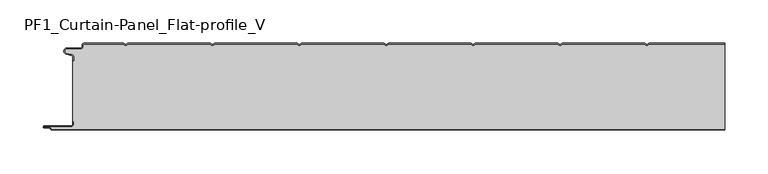
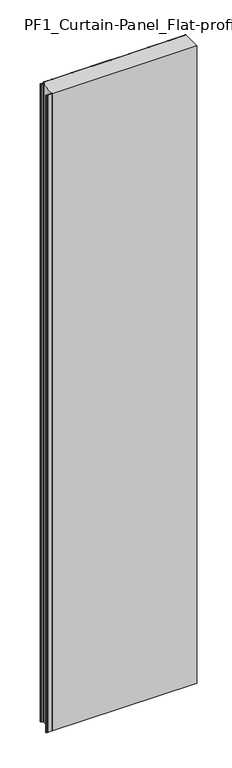
"""IFC4 building model written with IfcOpenShell, lengths in millimetres: plate geometry, PF1_Curtain-Panel_Flat-profile_V."""

from ifc_helpers import new_model, si_unit, point, frame_2d, origin, origin_with_axes, place, context, project, spatial, polyline, circle_curve, trimmed, segment, composite_curve, outline, extrude, source, transform, mapped, element, save


def pf1_curtain_panel_flat_profile_v_6b737605(model_context):
    return source(origin(), model_context, "Body", "SweptSolid", [
        extrude(outline(composite_curve([segment(trimmed(circle_curve(frame_2d((-377.0, -15.878557)), 2.0), [point((-375.0, -15.878557))], [point((-376.5500978, -13.9298169))], True, "CARTESIAN"), True, "CONTINUOUS"), segment(polyline([(-376.5500978, -13.9298169), (-382.7098239, -12.507732)]), True, "CONTINUOUS"), segment(trimmed(circle_curve(frame_2d((-381.9, -9.0)), 3.6), [point((-382.7098239, -12.507732))], [point((-381.9, -5.4))], False, "CARTESIAN"), True, "CONTINUOUS"), segment(polyline([(-381.9, -5.4), (-366.4, -5.4)]), True, "CONTINUOUS"), segment(trimmed(circle_curve(frame_2d((-366.4, -3.4)), 2.0), [point((-366.4, -5.4))], [point((-364.4, -3.4))], True, "CARTESIAN"), True, "CONTINUOUS"), segment(polyline([(-364.4, -3.4), (-364.4, -2.0)]), True, "CONTINUOUS"), segment(trimmed(circle_curve(frame_2d((-362.4, -2.0)), 2.0), [point((-364.4, -2.0))], [point((-362.4, 0.0))], False, "CARTESIAN"), True, "CONTINUOUS"), segment(polyline([(-362.4, 0.0), (-317.0999995, 0.0), (-314.4, -1.5588455), (-311.7000005, 0.0), (-217.0999995, 0.0), (-214.4, -1.5588455), (-211.7000005, 0.0), (-117.0999995, 0.0), (-114.4, -1.5588455), (-111.7000005, 0.0), (-17.0999995, 0.0), (-14.4, -1.5588455), (-11.7000005, 0.0), (82.9000005, 0.0), (85.6, -1.5588455), (88.2999995, 0.0), (182.9000005, 0.0), (185.6, -1.5588455), (188.2999995, 0.0), (282.9000005, 0.0), (285.6, -1.5588455), (288.2999995, 0.0), (375.0, 0.0), (375.0, -0.8), (288.5143588, -0.8), (285.6, -2.482606), (282.6856412, -0.8), (188.5143588, -0.8), (185.6, -2.482606), (182.6856412, -0.8), (88.5143588, -0.8), (85.6, -2.482606), (82.6856412, -0.8), (-11.4856412, -0.8), (-14.4, -2.482606), (-17.3143588, -0.8), (-111.4856412, -0.8), (-114.4, -2.482606), (-117.3143588, -0.8), (-211.4856412, -0.8), (-214.4, -2.482606), (-217.3143588, -0.8), (-311.4856412, -0.8), (-314.4, -2.482606), (-317.3143588, -0.8), (-362.4, -0.8)]), True, "CONTINUOUS"), segment(trimmed(circle_curve(frame_2d((-362.4, -2.0)), 1.2), [point((-362.4, -0.8))], [point((-363.6, -2.0))], True, "CARTESIAN"), True, "CONTINUOUS"), segment(polyline([(-363.6, -2.0), (-363.6, -3.4)]), True, "CONTINUOUS"), segment(trimmed(circle_curve(frame_2d((-366.4, -3.4)), 2.8), [point((-363.6, -3.4))], [point((-366.4, -6.2))], False, "CARTESIAN"), True, "CONTINUOUS"), segment(polyline([(-366.4, -6.2), (-381.9, -6.2)]), True, "CONTINUOUS"), segment(trimmed(circle_curve(frame_2d((-381.9, -9.0)), 2.8), [point((-381.9, -6.2))], [point((-382.529863, -11.7282362))], True, "CARTESIAN"), True, "CONTINUOUS"), segment(polyline([(-382.529863, -11.7282362), (-376.370137, -13.150321)]), True, "CONTINUOUS"), segment(trimmed(circle_curve(frame_2d((-377.0, -15.878557)), 2.8), [point((-376.370137, -13.150321))], [point((-374.2, -15.878557))], False, "CARTESIAN"), True, "CONTINUOUS"), segment(polyline([(-374.2, -15.878557), (-374.2, -20.0), (-375.0, -20.0), (-375.0, -15.878557)]), True, "CONTINUOUS")], self_intersect=False)), origin_with_axes(), (0.0, 0.0, 1.0), 3500.0),
        extrude(outline(composite_curve([segment(polyline([(-374.2, -90.0), (-375.0, -90.0), (-375.0, -20.0), (-374.2, -20.0), (-374.2, -15.878557)]), True, "CONTINUOUS"), segment(trimmed(circle_curve(frame_2d((-377.0, -15.878557)), 2.8), [point((-374.2, -15.878557))], [point((-376.370137, -13.1503208))], True, "CARTESIAN"), True, "CONTINUOUS"), segment(polyline([(-376.370137, -13.1503208), (-382.529863, -11.7282362)]), True, "CONTINUOUS"), segment(trimmed(circle_curve(frame_2d((-381.9, -9.0)), 2.8), [point((-382.529863, -11.7282362))], [point((-381.9, -6.2))], False, "CARTESIAN"), True, "CONTINUOUS"), segment(polyline([(-381.9, -6.2), (-366.4, -6.2)]), True, "CONTINUOUS"), segment(trimmed(circle_curve(frame_2d((-366.4, -3.4)), 2.8), [point((-366.4, -6.2))], [point((-363.6, -3.4))], True, "CARTESIAN"), True, "CONTINUOUS"), segment(polyline([(-363.6, -3.4), (-363.6, -2.0)]), True, "CONTINUOUS"), segment(trimmed(circle_curve(frame_2d((-362.4, -2.0)), 1.2), [point((-363.6, -2.0))], [point((-362.4, -0.8))], False, "CARTESIAN"), True, "CONTINUOUS"), segment(polyline([(-362.4, -0.8), (-317.3143588, -0.8), (-314.4, -2.482606), (-311.4856412, -0.8), (-217.3143588, -0.8), (-214.4, -2.482606), (-211.4856412, -0.8), (-117.3143588, -0.8), (-114.4, -2.482606), (-111.4856412, -0.8), (-17.3143588, -0.8), (-14.4, -2.482606), (-11.4856412, -0.8), (82.6856412, -0.8), (85.6, -2.482606), (88.5143588, -0.8), (182.6856412, -0.8), (185.6, -2.482606), (188.5143588, -0.8), (282.6856412, -0.8), (285.6, -2.482606), (288.5143588, -0.8), (375.0, -0.8), (375.0, -99.2), (-399.4, -99.2)]), True, "CONTINUOUS"), segment(trimmed(circle_curve(frame_2d((-399.4, -98.4)), 0.8), [point((-399.4, -99.2))], [point((-400.2, -98.4))], False, "CARTESIAN"), True, "CONTINUOUS"), segment(trimmed(circle_curve(frame_2d((-401.9, -98.6133333)), 1.7133333), [point((-400.2, -98.4))], [point((-401.9, -96.9))], True, "CARTESIAN"), True, "CONTINUOUS"), segment(polyline([(-401.9, -96.9), (-407.8700312, -96.9)]), True, "CONTINUOUS"), segment(trimmed(circle_curve(frame_2d((-407.8700312, -96.6)), 0.3), [point((-407.8700312, -96.9))], [point((-407.8700312, -96.3))], False, "CARTESIAN"), True, "CONTINUOUS"), segment(polyline([(-407.8700312, -96.3), (-377.0, -96.3)]), True, "CONTINUOUS"), segment(trimmed(circle_curve(frame_2d((-377.0, -93.5)), 2.8), [point((-377.0, -96.3))], [point((-374.2, -93.5))], True, "CARTESIAN"), True, "CONTINUOUS"), segment(polyline([(-374.2, -93.5), (-374.2, -90.0)]), True, "CONTINUOUS")], self_intersect=False)), origin_with_axes(), (0.0, 0.0, 1.0), 3500.0),
        extrude(outline(composite_curve([segment(polyline([(-375.0, -90.0), (-374.2, -90.0), (-374.2, -93.5)]), True, "CONTINUOUS"), segment(trimmed(circle_curve(frame_2d((-377.0, -93.5)), 2.8), [point((-374.2, -93.5))], [point((-377.0, -96.3))], False, "CARTESIAN"), True, "CONTINUOUS"), segment(polyline([(-377.0, -96.3), (-407.8700312, -96.3)]), True, "CONTINUOUS"), segment(trimmed(circle_curve(frame_2d((-407.8700312, -96.6)), 0.3), [point((-407.8700312, -96.3))], [point((-407.8700312, -96.9))], True, "CARTESIAN"), True, "CONTINUOUS"), segment(polyline([(-407.8700312, -96.9), (-401.9, -96.9)]), True, "CONTINUOUS"), segment(trimmed(circle_curve(frame_2d((-401.9, -98.6133333)), 1.7133333), [point((-401.9, -96.9))], [point((-400.2, -98.4))], False, "CARTESIAN"), True, "CONTINUOUS"), segment(trimmed(circle_curve(frame_2d((-399.4, -98.4)), 0.8), [point((-400.2, -98.4))], [point((-399.4, -99.2))], True, "CARTESIAN"), True, "CONTINUOUS"), segment(polyline([(-399.4, -99.2), (375.0, -99.2), (375.0, -100.0), (-399.4, -100.0)]), True, "CONTINUOUS"), segment(trimmed(circle_curve(frame_2d((-399.4, -98.4)), 1.6), [point((-399.4, -100.0))], [point((-401.0, -98.4))], False, "CARTESIAN"), True, "CONTINUOUS"), segment(trimmed(circle_curve(frame_2d((-401.9, -98.4)), 0.9), [point((-401.0, -98.4))], [point((-401.9, -97.5))], True, "CARTESIAN"), True, "CONTINUOUS"), segment(polyline([(-401.9, -97.5), (-408.0, -97.5)]), True, "CONTINUOUS"), segment(trimmed(circle_curve(frame_2d((-408.0, -96.5)), 1.0), [point((-408.0, -97.5))], [point((-408.0, -95.5))], False, "CARTESIAN"), True, "CONTINUOUS"), segment(polyline([(-408.0, -95.5), (-377.0, -95.5)]), True, "CONTINUOUS"), segment(trimmed(circle_curve(frame_2d((-377.0, -93.5)), 2.0), [point((-377.0, -95.5))], [point((-375.0, -93.5))], True, "CARTESIAN"), True, "CONTINUOUS"), segment(polyline([(-375.0, -93.5), (-375.0, -90.0)]), True, "CONTINUOUS")], self_intersect=False)), origin_with_axes(), (0.0, 0.0, 1.0), 3500.0),
    ])


if __name__ == "__main__":
    model = new_model("IFC4")
    model_context = context("Model", 3, world=origin())
    ifc_project = project(units=[si_unit("LENGTHUNIT", "METRE", prefix="MILLI")], contexts=[model_context])
    site = spatial("IfcSite", under=ifc_project)
    building = spatial("IfcBuilding", under=site)
    placement = place(None, origin())
    pf1_curtain_panel_flat_profile_v_shape = pf1_curtain_panel_flat_profile_v_6b737605(model_context)
    element("IfcPlate", 1, ObjectType="PF1_Curtain-Panel_Flat-profile_V", at=placement, inside=building, context=model_context, shape_type="MappedRepresentation", body=[
        mapped(pf1_curtain_panel_flat_profile_v_shape, transform((0.0, 0.0, 0.0), x_axis=(1.0, 0.0, 0.0), y_axis=(0.0, 1.0, 0.0), z_axis=(0.0, 0.0, 1.0))),
    ])
    save(model, "model.ifc")
